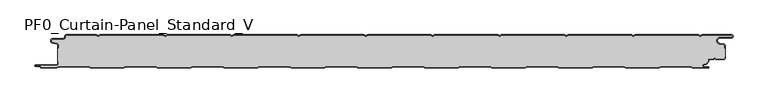
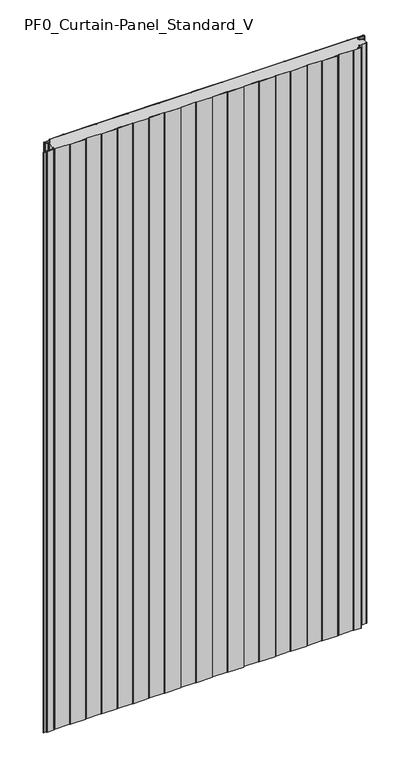
"""IFC4 building model written with IfcOpenShell, lengths in millimetres: plate geometry, PF0_Curtain-Panel_Standard_V."""

import ifcopenshell
import ifcopenshell.guid

model = None  # the IFC model being written
_history = None  # IfcOwnerHistory: only IFC2X3 demands one
_inside = {}  # id of a spatial element -> (the spatial element, [elements in it])
_under = {}  # id of a project, library or spatial element -> (it, [spatial elements below it])
_declared = {}  # id of a project -> (the project, [libraries it declares])
_typed = {}  # id of a type object -> (the type object, [elements of that type])
_made_of = {}  # id of a material, layer set ... -> (it, [elements and type objects made of it])


def new_model(schema):
    """Start an empty IFC model of exactly this schema.

    Asked for "IFC4X3", IfcOpenShell would pick the latest addendum, in which some entities
    have other attributes; the version numbers below select the first issue.
    IFC2X3 requires an IfcOwnerHistory on every rooted entity: one is made here for all.
    """
    global model, _history
    if schema == "IFC4X3":
        model = ifcopenshell.file(schema_version=(4, 3, 0, 0))
    else:
        model = ifcopenshell.file(schema=schema)
    _inside.clear()
    _under.clear()
    _declared.clear()
    _typed.clear()
    _made_of.clear()
    _history = None
    if model.schema == "IFC2X3":
        org = make("IfcOrganization", Name="unknown")
        user = make(
            "IfcPersonAndOrganization",
            ThePerson=make("IfcPerson", FamilyName="unknown"),
            TheOrganization=org,
        )
        app = make(
            "IfcApplication",
            ApplicationDeveloper=org,
            Version="unknown",
            ApplicationFullName="unknown",
            ApplicationIdentifier="unknown",
        )
        _history = make(
            "IfcOwnerHistory",
            OwningUser=user,
            OwningApplication=app,
            ChangeAction="ADDED",
            CreationDate=0,
        )
    return model


def make(cls, **values):
    """One entity of the class cls with the attributes given. An attribute that is None is left unset."""
    return model.create_entity(
        cls, **{name: value for name, value in values.items() if value is not None}
    )


def rooted(cls, **values):
    """An entity with a GlobalId (a new one), such as an element, a storey or a relation."""
    return make(cls, GlobalId=ifcopenshell.guid.new(), OwnerHistory=_history, **values)


def si_unit(unit_type, name, prefix=None):
    """IfcSIUnit, for example si_unit("LENGTHUNIT", "METRE", prefix="MILLI")."""
    return make("IfcSIUnit", UnitType=unit_type, Prefix=prefix, Name=name)


def assignment(units):
    """IfcUnitAssignment: the units of a project."""
    return None if units is None else make("IfcUnitAssignment", Units=units)


def point(xyz):
    """IfcCartesianPoint."""
    return None if xyz is None else make("IfcCartesianPoint", Coordinates=xyz)


def direction(xyz):
    """IfcDirection."""
    return None if xyz is None else make("IfcDirection", DirectionRatios=xyz)


def frame(location, z_axis=None, x_axis=None):
    """IfcAxis2Placement3D, a coordinate frame: its origin and axes. An axis left out is left unset."""
    return make(
        "IfcAxis2Placement3D",
        Location=point(location),
        Axis=direction(z_axis),
        RefDirection=direction(x_axis),
    )


def frame_2d(location, x_axis=None):
    """IfcAxis2Placement2D, a coordinate frame in the plane: its origin and x axis."""
    return make(
        "IfcAxis2Placement2D", Location=point(location), RefDirection=direction(x_axis)
    )


def origin():
    """The frame at (0, 0, 0) with its axes left unset."""
    return frame((0.0, 0.0, 0.0))


def origin_with_axes():
    """The frame at (0, 0, 0) with the z axis (0, 0, 1) and the x axis (1, 0, 0) written out."""
    return frame((0.0, 0.0, 0.0), z_axis=(0.0, 0.0, 1.0), x_axis=(1.0, 0.0, 0.0))


def place(relative_to, where):
    """IfcLocalPlacement: puts the frame where relative to a parent placement (None: the world)."""
    return make(
        "IfcLocalPlacement", PlacementRelTo=relative_to, RelativePlacement=where
    )


def context(
    kind, dimensions, precision=None, world=None, true_north=None, identifier=None
):
    """IfcGeometricRepresentationContext, for example the 3D "Model" context."""
    return make(
        "IfcGeometricRepresentationContext",
        ContextIdentifier=identifier,
        ContextType=kind,
        CoordinateSpaceDimension=dimensions,
        Precision=precision,
        WorldCoordinateSystem=world,
        TrueNorth=true_north,
    )


def project(units=None, contexts=None):
    """IfcProject with its units and contexts."""
    return rooted(
        "IfcProject",
        Name="project",
        RepresentationContexts=contexts,
        UnitsInContext=assignment(units),
    )


def spatial(cls, under=None, at=None, **own):
    """A site, building, storey or space (cls), placed at a placement, below another one or the project."""
    s = rooted(cls, ObjectPlacement=at, **own)
    if under is not None:
        _under.setdefault(under.id(), (under, []))[1].append(s)
    return s


def polyline(points):
    """IfcPolyline through the points."""
    return make("IfcPolyline", Points=[point(p) for p in points])


def circle_curve(where, radius):
    """IfcCircle in the frame where."""
    return make("IfcCircle", Position=where, Radius=radius)


def trimmed(basis, trim1, trim2, sense, master):
    """IfcTrimmedCurve: the piece of a basis curve between two trims."""
    return make(
        "IfcTrimmedCurve",
        BasisCurve=basis,
        Trim1=trim1,
        Trim2=trim2,
        SenseAgreement=sense,
        MasterRepresentation=master,
    )


def segment(curve, same_sense, transition):
    """IfcCompositeCurveSegment."""
    return make(
        "IfcCompositeCurveSegment",
        Transition=transition,
        SameSense=same_sense,
        ParentCurve=curve,
    )


def composite_curve(segments, self_intersect=None):
    """IfcCompositeCurve: segments joined end to end."""
    return make("IfcCompositeCurve", Segments=segments, SelfIntersect=self_intersect)


def outline(outer, holes=None, kind="AREA"):
    """IfcArbitraryClosedProfileDef: a profile drawn as a closed curve; with holes, ...WithVoids."""
    if holes is None:
        return make("IfcArbitraryClosedProfileDef", ProfileType=kind, OuterCurve=outer)
    return make(
        "IfcArbitraryProfileDefWithVoids",
        ProfileType=kind,
        OuterCurve=outer,
        InnerCurves=holes,
    )


def extrude(swept, where, along, depth):
    """IfcExtrudedAreaSolid: the profile swept, set in the frame where, extruded along a direction by depth."""
    return make(
        "IfcExtrudedAreaSolid",
        SweptArea=swept,
        Position=where,
        ExtrudedDirection=direction(along),
        Depth=depth,
    )


def shape(context_of_items, identifier, shape_type, items):
    """IfcShapeRepresentation: the items that make up one representation, for example the "Body"."""
    return make(
        "IfcShapeRepresentation",
        ContextOfItems=context_of_items,
        RepresentationIdentifier=identifier,
        RepresentationType=shape_type,
        Items=items,
    )


def source(mapping_origin, context_of_items, identifier, shape_type, items):
    """IfcRepresentationMap: a shape defined once, which mapped items show again and again."""
    return make(
        "IfcRepresentationMap",
        MappingOrigin=mapping_origin,
        MappedRepresentation=shape(context_of_items, identifier, shape_type, items),
    )


def transform(
    local_origin,
    x_axis=None,
    y_axis=None,
    z_axis=None,
    scale=None,
    scale2=None,
    scale3=None,
    uniform=True,
):
    """IfcCartesianTransformationOperator3D, or its non-uniform kind. x_axis, y_axis, z_axis: its Axis1, 2, 3."""
    if uniform:
        return make(
            "IfcCartesianTransformationOperator3D",
            Axis1=direction(x_axis),
            Axis2=direction(y_axis),
            LocalOrigin=point(local_origin),
            Scale=scale,
            Axis3=direction(z_axis),
        )
    return make(
        "IfcCartesianTransformationOperator3DnonUniform",
        Axis1=direction(x_axis),
        Axis2=direction(y_axis),
        LocalOrigin=point(local_origin),
        Scale=scale,
        Axis3=direction(z_axis),
        Scale2=scale2,
        Scale3=scale3,
    )


def mapped(mapping_source, mapping_target):
    """IfcMappedItem: shows the shape of a source again, moved by a transform."""
    return make(
        "IfcMappedItem", MappingSource=mapping_source, MappingTarget=mapping_target
    )


def made_of(thing, what):
    """Note that an element or type object is made of a material, layer set ...; save() writes the relation."""
    if what is not None:
        _made_of.setdefault(what.id(), (what, []))[1].append(thing)
    return thing


def element(
    cls,
    number,
    at=None,
    inside=None,
    cuts=None,
    type_object=None,
    material=None,
    context=None,
    identifier="Body",
    shape_type=None,
    held_by="IfcProductDefinitionShape",
    body=None,
    shapes=None,
    **own,
):
    """One element of the class cls, such as IfcWall. Its Tag is "e" and its number.

    at: its placement. inside: the storey or other place that contains it. cuts: it is an
    opening in that element (IfcRelVoidsElement). A single representation is given by context,
    identifier, shape_type and body (its items); several are given by shapes. held_by: the class
    of the entity that holds the representations. save() writes the other relations.
    """
    e = rooted(cls, Tag="e%d" % number, ObjectPlacement=at, **own)
    if body is not None:
        shapes = [shape(context, identifier, shape_type, body)]
    if shapes is not None:
        e.Representation = make(held_by, Representations=shapes)
    if inside is not None:
        _inside.setdefault(inside.id(), (inside, []))[1].append(e)
    if cuts is not None:
        rooted(
            "IfcRelVoidsElement", RelatingBuildingElement=cuts, RelatedOpeningElement=e
        )
    if type_object is not None:
        _typed.setdefault(type_object.id(), (type_object, []))[1].append(e)
    return made_of(e, material)


def aggregate(whole, parts):
    """IfcRelAggregates: a whole, such as a stair, and the parts it consists of."""
    return rooted("IfcRelAggregates", RelatingObject=whole, RelatedObjects=parts)


def save(model, path):
    """Write the relations noted so far, then the file.

    IfcRelAggregates (storeys below a building ...), IfcRelContainedInSpatialStructure (elements
    in a storey), IfcRelDefinesByType, IfcRelAssociatesMaterial and IfcRelDeclares: one each for
    every whole, place, type object, material and project.
    """
    for whole, parts in _under.values():
        aggregate(whole, parts)
    for where, things in _inside.values():
        rooted(
            "IfcRelContainedInSpatialStructure",
            RelatedElements=things,
            RelatingStructure=where,
        )
    for kind, things in _typed.values():
        rooted("IfcRelDefinesByType", RelatedObjects=things, RelatingType=kind)
    for what, things in _made_of.values():
        rooted("IfcRelAssociatesMaterial", RelatedObjects=things, RelatingMaterial=what)
    for by, libraries in _declared.values():
        rooted("IfcRelDeclares", RelatingContext=by, RelatedDefinitions=libraries)
    model.write(path)


def pf0_curtain_panel_standard_v_c5559875(model_context):
    return source(origin(), model_context, "Body", "SweptSolid", [
        extrude(outline(composite_curve([segment(trimmed(circle_curve(frame_2d((-502.0, -15.878557)), 2.0), [point((-500.0, -15.878557))], [point((-501.5500978, -13.9298169))], True, "CARTESIAN"), True, "CONTINUOUS"), segment(polyline([(-501.5500978, -13.9298169), (-507.7098239, -12.507732)]), True, "CONTINUOUS"), segment(trimmed(circle_curve(frame_2d((-506.9, -9.0)), 3.6), [point((-507.7098239, -12.507732))], [point((-506.9, -5.4))], False, "CARTESIAN"), True, "CONTINUOUS"), segment(polyline([(-506.9, -5.4), (-491.4, -5.4)]), True, "CONTINUOUS"), segment(trimmed(circle_curve(frame_2d((-491.4, -3.4)), 2.0), [point((-491.4, -5.4))], [point((-489.4, -3.4))], True, "CARTESIAN"), True, "CONTINUOUS"), segment(polyline([(-489.4, -3.4), (-489.4, -2.0)]), True, "CONTINUOUS"), segment(trimmed(circle_curve(frame_2d((-487.4, -2.0)), 2.0), [point((-489.4, -2.0))], [point((-487.4, 0.0))], False, "CARTESIAN"), True, "CONTINUOUS"), segment(polyline([(-487.4, 0.0), (-442.0999995, 0.0), (-439.4, -1.5588455), (-436.7000005, 0.0), (-342.0999995, 0.0), (-339.4, -1.5588455), (-336.7000005, 0.0), (-242.0999995, 0.0), (-239.4, -1.5588455), (-236.7000005, 0.0), (-142.0999995, 0.0), (-139.4, -1.5588455), (-136.7000005, 0.0), (-42.0999995, 0.0), (-39.4, -1.5588455), (-36.7000005, 0.0), (57.9000005, 0.0), (60.6, -1.5588455), (63.2999995, 0.0), (157.9000005, 0.0), (160.6, -1.5588455), (163.2999995, 0.0), (257.9000005, 0.0), (260.6, -1.5588455), (263.2999995, 0.0), (357.9000005, 0.0), (360.6, -1.5588455), (363.2999995, 0.0), (457.9000005, 0.0), (460.6, -1.5588455), (463.2999995, 0.0), (507.268846, 0.0)]), True, "CONTINUOUS"), segment(trimmed(circle_curve(frame_2d((507.268846, -2.5)), 2.5), [point((507.268846, 0.0))], [point((507.268846, -5.0))], False, "CARTESIAN"), True, "CONTINUOUS"), segment(polyline([(507.268846, -5.0), (490.268846, -5.0)]), True, "CONTINUOUS"), segment(trimmed(circle_curve(frame_2d((490.268846, -9.0)), 4.0), [point((490.268846, -5.0))], [point((489.574253, -12.939231))], True, "CARTESIAN"), True, "CONTINUOUS"), segment(polyline([(489.574253, -12.939231), (496.0203315, -14.0758491)]), True, "CONTINUOUS"), segment(trimmed(circle_curve(frame_2d((495.568846, -16.6363492)), 2.6), [point((496.0203315, -14.0758491))], [point((498.168846, -16.6363492))], False, "CARTESIAN"), True, "CONTINUOUS"), segment(polyline([(498.168846, -16.6363492), (498.168846, -20.0), (497.368846, -20.0), (497.368846, -16.6363492)]), True, "CONTINUOUS"), segment(trimmed(circle_curve(frame_2d((495.568846, -16.6363492)), 1.8), [point((497.368846, -16.6363492))], [point((495.8814129, -14.8636953))], True, "CARTESIAN"), True, "CONTINUOUS"), segment(polyline([(495.8814129, -14.8636953), (489.4353344, -13.7270772)]), True, "CONTINUOUS"), segment(trimmed(circle_curve(frame_2d((490.268846, -9.0)), 4.8), [point((489.4353344, -13.7270772))], [point((490.268846, -4.2))], False, "CARTESIAN"), True, "CONTINUOUS"), segment(polyline([(490.268846, -4.2), (507.268846, -4.2)]), True, "CONTINUOUS"), segment(trimmed(circle_curve(frame_2d((507.268846, -2.5)), 1.7), [point((507.268846, -4.2))], [point((507.268846, -0.8))], True, "CARTESIAN"), True, "CONTINUOUS"), segment(polyline([(507.268846, -0.8), (463.5143588, -0.8), (460.6, -2.482606), (457.6856412, -0.8), (363.5143588, -0.8), (360.6, -2.482606), (357.6856412, -0.8), (263.5143588, -0.8), (260.6, -2.482606), (257.6856412, -0.8), (163.5143588, -0.8), (160.6, -2.482606), (157.6856412, -0.8), (63.5143588, -0.8), (60.6, -2.482606), (57.6856412, -0.8), (-36.4856412, -0.8), (-39.4, -2.482606), (-42.3143588, -0.8), (-136.4856412, -0.8), (-139.4, -2.482606), (-142.3143588, -0.8), (-236.4856412, -0.8), (-239.4, -2.482606), (-242.3143588, -0.8), (-336.4856412, -0.8), (-339.4, -2.482606), (-342.3143588, -0.8), (-436.4856412, -0.8), (-439.4, -2.482606), (-442.3143588, -0.8), (-487.4, -0.8)]), True, "CONTINUOUS"), segment(trimmed(circle_curve(frame_2d((-487.4, -2.0)), 1.2), [point((-487.4, -0.8))], [point((-488.6, -2.0))], True, "CARTESIAN"), True, "CONTINUOUS"), segment(polyline([(-488.6, -2.0), (-488.6, -3.4)]), True, "CONTINUOUS"), segment(trimmed(circle_curve(frame_2d((-491.4, -3.4)), 2.8), [point((-488.6, -3.4))], [point((-491.4, -6.2))], False, "CARTESIAN"), True, "CONTINUOUS"), segment(polyline([(-491.4, -6.2), (-506.9, -6.2)]), True, "CONTINUOUS"), segment(trimmed(circle_curve(frame_2d((-506.9, -9.0)), 2.8), [point((-506.9, -6.2))], [point((-507.529863, -11.7282362))], True, "CARTESIAN"), True, "CONTINUOUS"), segment(polyline([(-507.529863, -11.7282362), (-501.370137, -13.150321)]), True, "CONTINUOUS"), segment(trimmed(circle_curve(frame_2d((-502.0, -15.878557)), 2.8), [point((-501.370137, -13.150321))], [point((-499.2, -15.878557))], False, "CARTESIAN"), True, "CONTINUOUS"), segment(polyline([(-499.2, -15.878557), (-499.2, -20.0), (-500.0, -20.0), (-500.0, -15.878557)]), True, "CONTINUOUS")], self_intersect=False)), origin_with_axes(), (0.0, 0.0, 1.0), 1945.7507136),
        extrude(outline(composite_curve([segment(polyline([(-499.2, -40.0), (-500.0, -40.0), (-500.0, -20.0), (-499.2, -20.0), (-499.2, -15.878557)]), True, "CONTINUOUS"), segment(trimmed(circle_curve(frame_2d((-502.0, -15.878557)), 2.8), [point((-499.2, -15.878557))], [point((-501.370137, -13.1503208))], True, "CARTESIAN"), True, "CONTINUOUS"), segment(polyline([(-501.370137, -13.1503208), (-507.529863, -11.7282362)]), True, "CONTINUOUS"), segment(trimmed(circle_curve(frame_2d((-506.9, -9.0)), 2.8), [point((-507.529863, -11.7282362))], [point((-506.9, -6.2))], False, "CARTESIAN"), True, "CONTINUOUS"), segment(polyline([(-506.9, -6.2), (-491.4, -6.2)]), True, "CONTINUOUS"), segment(trimmed(circle_curve(frame_2d((-491.4, -3.4)), 2.8), [point((-491.4, -6.2))], [point((-488.6, -3.4))], True, "CARTESIAN"), True, "CONTINUOUS"), segment(polyline([(-488.6, -3.4), (-488.6, -2.0)]), True, "CONTINUOUS"), segment(trimmed(circle_curve(frame_2d((-487.4, -2.0)), 1.2), [point((-488.6, -2.0))], [point((-487.4, -0.8))], False, "CARTESIAN"), True, "CONTINUOUS"), segment(polyline([(-487.4, -0.8), (-442.3143588, -0.8), (-439.4, -2.482606), (-436.4856412, -0.8), (-342.3143588, -0.8), (-339.4, -2.482606), (-336.4856412, -0.8), (-242.3143588, -0.8), (-239.4, -2.482606), (-236.4856412, -0.8), (-142.3143588, -0.8), (-139.4, -2.482606), (-136.4856412, -0.8), (-42.3143588, -0.8), (-39.4, -2.482606), (-36.4856412, -0.8), (57.6856412, -0.8), (60.6, -2.482606), (63.5143588, -0.8), (157.6856412, -0.8), (160.6, -2.482606), (163.5143588, -0.8), (257.6856412, -0.8), (260.6, -2.482606), (263.5143588, -0.8), (357.6856412, -0.8), (360.6, -2.482606), (363.5143588, -0.8), (457.6856412, -0.8), (460.6, -2.482606), (463.5143588, -0.8), (507.268846, -0.8)]), True, "CONTINUOUS"), segment(trimmed(circle_curve(frame_2d((507.268846, -2.5)), 1.7), [point((507.268846, -0.8))], [point((507.268846, -4.2))], False, "CARTESIAN"), True, "CONTINUOUS"), segment(polyline([(507.268846, -4.2), (490.268846, -4.2)]), True, "CONTINUOUS"), segment(trimmed(circle_curve(frame_2d((490.268846, -9.0)), 4.8), [point((490.268846, -4.2))], [point((489.4353344, -13.7270772))], True, "CARTESIAN"), True, "CONTINUOUS"), segment(polyline([(489.4353344, -13.7270772), (495.8814129, -14.8636953)]), True, "CONTINUOUS"), segment(trimmed(circle_curve(frame_2d((495.568846, -16.6363492)), 1.8), [point((495.8814129, -14.8636953))], [point((497.368846, -16.6363492))], False, "CARTESIAN"), True, "CONTINUOUS"), segment(polyline([(497.368846, -16.6363492), (497.368846, -20.0), (498.168846, -20.0), (498.168846, -33.0), (497.368846, -33.0), (497.368846, -34.4)]), True, "CONTINUOUS"), segment(trimmed(circle_curve(frame_2d((495.568846, -34.4)), 1.8), [point((497.368846, -34.4))], [point((495.568846, -36.2))], False, "CARTESIAN"), True, "CONTINUOUS"), segment(polyline([(495.568846, -36.2), (484.0002158, -36.2), (482.168846, -34.3686285), (480.3374762, -36.2), (474.168846, -36.2)]), True, "CONTINUOUS"), segment(trimmed(circle_curve(frame_2d((474.168846, -38.0)), 1.8), [point((474.168846, -36.2))], [point((472.368846, -38.0))], True, "CARTESIAN"), True, "CONTINUOUS"), segment(polyline([(472.368846, -38.0), (472.368846, -38.8276204)]), True, "CONTINUOUS"), segment(trimmed(circle_curve(frame_2d((466.9964664, -38.8276204)), 5.3723796), [point((472.368846, -38.8276204))], [point((466.9964664, -44.2))], False, "CARTESIAN"), True, "CONTINUOUS"), segment(polyline([(466.9964664, -44.2), (466.168846, -44.2)]), True, "CONTINUOUS"), segment(trimmed(circle_curve(frame_2d((466.168846, -46.4)), 2.2), [point((466.168846, -44.2))], [point((466.168846, -48.6))], True, "CARTESIAN"), True, "CONTINUOUS"), segment(polyline([(466.168846, -48.6), (472.0579973, -48.6)]), True, "CONTINUOUS"), segment(trimmed(circle_curve(frame_2d((472.0579973, -48.9)), 0.3), [point((472.0579973, -48.6))], [point((472.0579973, -49.2))], False, "CARTESIAN"), True, "CONTINUOUS"), segment(polyline([(472.0579973, -49.2), (449.2152562, -49.2), (446.6171786, -47.7), (401.3884624, -47.7), (398.7903848, -49.2), (349.2152562, -49.2), (346.6171786, -47.7), (301.3884624, -47.7), (298.7903848, -49.2), (249.2152562, -49.2), (246.6171786, -47.7), (201.3884624, -47.7), (198.7903848, -49.2), (149.2152562, -49.2), (146.6171786, -47.7), (101.3884624, -47.7), (98.7903848, -49.2), (49.2152562, -49.2), (46.6171786, -47.7), (1.3884624, -47.7), (-1.2096152, -49.2), (-50.7847438, -49.2), (-53.3828214, -47.7), (-98.6115376, -47.7), (-101.2096152, -49.2), (-150.7847438, -49.2), (-153.3828214, -47.7), (-198.6115376, -47.7), (-201.2096152, -49.2), (-250.7847438, -49.2), (-253.3828214, -47.7), (-298.6115376, -47.7), (-301.2096152, -49.2), (-350.7847438, -49.2), (-353.3828214, -47.7), (-398.6115376, -47.7), (-401.2096152, -49.2), (-450.7847438, -49.2), (-453.3828214, -47.7), (-498.6115376, -47.7), (-501.2096152, -49.2), (-524.4, -49.2)]), True, "CONTINUOUS"), segment(trimmed(circle_curve(frame_2d((-524.4, -48.4)), 0.8), [point((-524.4, -49.2))], [point((-525.2, -48.4))], False, "CARTESIAN"), True, "CONTINUOUS"), segment(trimmed(circle_curve(frame_2d((-526.9, -48.6133333)), 1.7133333), [point((-525.2, -48.4))], [point((-526.9, -46.9))], True, "CARTESIAN"), True, "CONTINUOUS"), segment(polyline([(-526.9, -46.9), (-532.8700312, -46.9)]), True, "CONTINUOUS"), segment(trimmed(circle_curve(frame_2d((-532.8700312, -46.6)), 0.3), [point((-532.8700312, -46.9))], [point((-532.8700312, -46.3))], False, "CARTESIAN"), True, "CONTINUOUS"), segment(polyline([(-532.8700312, -46.3), (-502.0, -46.3)]), True, "CONTINUOUS"), segment(trimmed(circle_curve(frame_2d((-502.0, -43.5)), 2.8), [point((-502.0, -46.3))], [point((-499.2, -43.5))], True, "CARTESIAN"), True, "CONTINUOUS"), segment(polyline([(-499.2, -43.5), (-499.2, -40.0)]), True, "CONTINUOUS")], self_intersect=False)), origin_with_axes(), (0.0, 0.0, 1.0), 1945.7507136),
        extrude(outline(composite_curve([segment(polyline([(-500.0, -40.0), (-499.2, -40.0), (-499.2, -43.5)]), True, "CONTINUOUS"), segment(trimmed(circle_curve(frame_2d((-502.0, -43.5)), 2.8), [point((-499.2, -43.5))], [point((-502.0, -46.3))], False, "CARTESIAN"), True, "CONTINUOUS"), segment(polyline([(-502.0, -46.3), (-532.8700312, -46.3)]), True, "CONTINUOUS"), segment(trimmed(circle_curve(frame_2d((-532.8700312, -46.6)), 0.3), [point((-532.8700312, -46.3))], [point((-532.8700312, -46.9))], True, "CARTESIAN"), True, "CONTINUOUS"), segment(polyline([(-532.8700312, -46.9), (-526.9, -46.9)]), True, "CONTINUOUS"), segment(trimmed(circle_curve(frame_2d((-526.9, -48.6133333)), 1.7133333), [point((-526.9, -46.9))], [point((-525.2, -48.4))], False, "CARTESIAN"), True, "CONTINUOUS"), segment(trimmed(circle_curve(frame_2d((-524.4, -48.4)), 0.8), [point((-525.2, -48.4))], [point((-524.4, -49.2))], True, "CARTESIAN"), True, "CONTINUOUS"), segment(polyline([(-524.4, -49.2), (-501.2096152, -49.2), (-498.6115376, -47.7), (-453.3828214, -47.7), (-450.7847438, -49.2), (-401.2096152, -49.2), (-398.6115376, -47.7), (-353.3828214, -47.7), (-350.7847438, -49.2), (-301.2096152, -49.2), (-298.6115376, -47.7), (-253.3828214, -47.7), (-250.7847438, -49.2), (-201.2096152, -49.2), (-198.6115376, -47.7), (-153.3828214, -47.7), (-150.7847438, -49.2), (-101.2096152, -49.2), (-98.6115376, -47.7), (-53.3828214, -47.7), (-50.7847438, -49.2), (-1.2096152, -49.2), (1.3884624, -47.7), (46.6171786, -47.7), (49.2152562, -49.2), (98.7903848, -49.2), (101.3884624, -47.7), (146.6171786, -47.7), (149.2152562, -49.2), (198.7903848, -49.2), (201.3884624, -47.7), (246.6171786, -47.7), (249.2152562, -49.2), (298.7903848, -49.2), (301.3884624, -47.7), (346.6171786, -47.7), (349.2152562, -49.2), (398.7903848, -49.2), (401.3884624, -47.7), (446.6171786, -47.7), (449.2152562, -49.2), (472.0579973, -49.2)]), True, "CONTINUOUS"), segment(trimmed(circle_curve(frame_2d((472.0579973, -48.9)), 0.3), [point((472.0579973, -49.2))], [point((472.0579973, -48.6))], True, "CARTESIAN"), True, "CONTINUOUS"), segment(polyline([(472.0579973, -48.6), (466.168846, -48.6)]), True, "CONTINUOUS"), segment(trimmed(circle_curve(frame_2d((466.168846, -46.4)), 2.2), [point((466.168846, -48.6))], [point((466.168846, -44.2))], False, "CARTESIAN"), True, "CONTINUOUS"), segment(polyline([(466.168846, -44.2), (466.9964664, -44.2)]), True, "CONTINUOUS"), segment(trimmed(circle_curve(frame_2d((466.9964664, -38.8276204)), 5.3723796), [point((466.9964664, -44.2))], [point((472.368846, -38.8276204))], True, "CARTESIAN"), True, "CONTINUOUS"), segment(polyline([(472.368846, -38.8276204), (472.368846, -38.0)]), True, "CONTINUOUS"), segment(trimmed(circle_curve(frame_2d((474.168846, -38.0)), 1.8), [point((472.368846, -38.0))], [point((474.168846, -36.2))], False, "CARTESIAN"), True, "CONTINUOUS"), segment(polyline([(474.168846, -36.2), (480.3374762, -36.2), (482.168846, -34.3686285), (484.0002158, -36.2), (495.568846, -36.2)]), True, "CONTINUOUS"), segment(trimmed(circle_curve(frame_2d((495.568846, -34.4)), 1.8), [point((495.568846, -36.2))], [point((497.368846, -34.4))], True, "CARTESIAN"), True, "CONTINUOUS"), segment(polyline([(497.368846, -34.4), (497.368846, -33.0), (498.168846, -33.0), (498.168846, -34.4)]), True, "CONTINUOUS"), segment(trimmed(circle_curve(frame_2d((495.568846, -34.4)), 2.6), [point((498.168846, -34.4))], [point((495.568846, -37.0))], False, "CARTESIAN"), True, "CONTINUOUS"), segment(polyline([(495.568846, -37.0), (483.6688448, -37.0), (482.168846, -35.4999999), (480.6688472, -37.0), (474.168846, -37.0)]), True, "CONTINUOUS"), segment(trimmed(circle_curve(frame_2d((474.168846, -38.0)), 1.0), [point((474.168846, -37.0))], [point((473.168846, -38.0))], True, "CARTESIAN"), True, "CONTINUOUS"), segment(polyline([(473.168846, -38.0), (473.168846, -38.8276204)]), True, "CONTINUOUS"), segment(trimmed(circle_curve(frame_2d((466.9964664, -38.8276204)), 6.1723796), [point((473.168846, -38.8276204))], [point((466.9964664, -45.0))], False, "CARTESIAN"), True, "CONTINUOUS"), segment(polyline([(466.9964664, -45.0), (466.168846, -45.0)]), True, "CONTINUOUS"), segment(trimmed(circle_curve(frame_2d((466.168846, -46.5)), 1.5), [point((466.168846, -45.0))], [point((466.168846, -48.0))], True, "CARTESIAN"), True, "CONTINUOUS"), segment(polyline([(466.168846, -48.0), (472.168846, -48.0)]), True, "CONTINUOUS"), segment(trimmed(circle_curve(frame_2d((472.168846, -49.0)), 1.0), [point((472.168846, -48.0))], [point((472.168846, -50.0))], False, "CARTESIAN"), True, "CONTINUOUS"), segment(polyline([(472.168846, -50.0), (449.0008969, -50.0), (446.4028193, -48.5), (401.6028217, -48.5), (399.0047441, -50.0), (349.0008969, -50.0), (346.4028193, -48.5), (301.6028217, -48.5), (299.0047441, -50.0), (249.0008969, -50.0), (246.4028193, -48.5), (201.6028217, -48.5), (199.0047441, -50.0), (149.0008969, -50.0), (146.4028193, -48.5), (101.6028217, -48.5), (99.0047441, -50.0), (49.0008969, -50.0), (46.4028193, -48.5), (1.6028217, -48.5), (-0.9952559, -50.0), (-50.9991031, -50.0), (-53.5971807, -48.5), (-98.3971783, -48.5), (-100.9952559, -50.0), (-150.9991031, -50.0), (-153.5971807, -48.5), (-198.3971783, -48.5), (-200.9952559, -50.0), (-250.9991031, -50.0), (-253.5971807, -48.5), (-298.3971783, -48.5), (-300.9952559, -50.0), (-350.9991031, -50.0), (-353.5971807, -48.5), (-398.3971783, -48.5), (-400.9952559, -50.0), (-450.9991031, -50.0), (-453.5971807, -48.5), (-498.3971783, -48.5), (-500.9952559, -50.0), (-524.4, -50.0)]), True, "CONTINUOUS"), segment(trimmed(circle_curve(frame_2d((-524.4, -48.4)), 1.6), [point((-524.4, -50.0))], [point((-526.0, -48.4))], False, "CARTESIAN"), True, "CONTINUOUS"), segment(trimmed(circle_curve(frame_2d((-526.9, -48.4)), 0.9), [point((-526.0, -48.4))], [point((-526.9, -47.5))], True, "CARTESIAN"), True, "CONTINUOUS"), segment(polyline([(-526.9, -47.5), (-533.0, -47.5)]), True, "CONTINUOUS"), segment(trimmed(circle_curve(frame_2d((-533.0, -46.5)), 1.0), [point((-533.0, -47.5))], [point((-533.0, -45.5))], False, "CARTESIAN"), True, "CONTINUOUS"), segment(polyline([(-533.0, -45.5), (-502.0, -45.5)]), True, "CONTINUOUS"), segment(trimmed(circle_curve(frame_2d((-502.0, -43.5)), 2.0), [point((-502.0, -45.5))], [point((-500.0, -43.5))], True, "CARTESIAN"), True, "CONTINUOUS"), segment(polyline([(-500.0, -43.5), (-500.0, -40.0)]), True, "CONTINUOUS")], self_intersect=False)), origin_with_axes(), (0.0, 0.0, 1.0), 1945.7507136),
    ])


if __name__ == "__main__":
    model = new_model("IFC4")
    model_context = context("Model", 3, world=origin())
    ifc_project = project(units=[si_unit("LENGTHUNIT", "METRE", prefix="MILLI")], contexts=[model_context])
    site = spatial("IfcSite", under=ifc_project)
    building = spatial("IfcBuilding", under=site)
    placement = place(None, origin())
    pf0_curtain_panel_standard_v_shape = pf0_curtain_panel_standard_v_c5559875(model_context)
    element("IfcPlate", 1, ObjectType="PF0_Curtain-Panel_Standard_V", at=placement, inside=building, context=model_context, shape_type="MappedRepresentation", body=[
        mapped(pf0_curtain_panel_standard_v_shape, transform((0.0, 0.0, 0.0), x_axis=(1.0, 0.0, 0.0), y_axis=(0.0, 1.0, 0.0), z_axis=(0.0, 0.0, 1.0))),
    ])
    save(model, "model.ifc")
